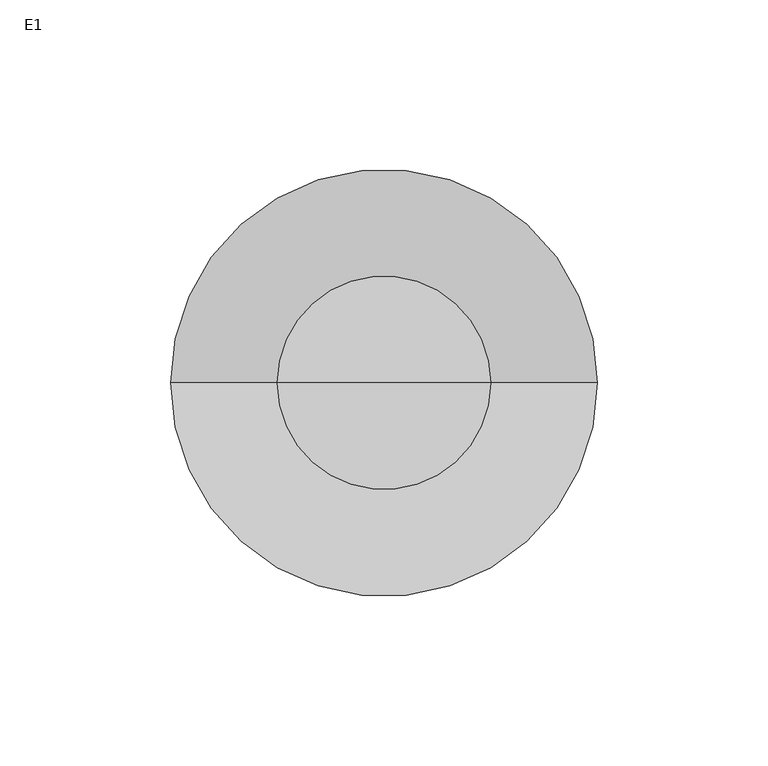
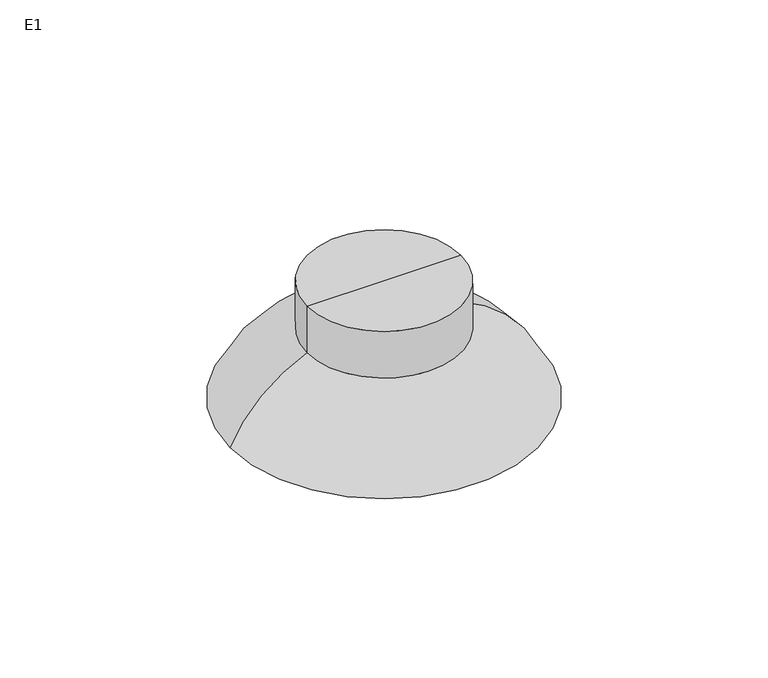
"""IFC4 building model written with IfcOpenShell, lengths in millimetres: light fixture geometry, E1."""

from ifc_helpers import new_model, si_unit, point, frame, origin, origin_with_axes, place, context, project, spatial, polyline, circle_curve, ellipse_curve, trimmed, source, transform, mapped, element, save
from ifc_brep_helpers import plane_surface, cylinder_surface, revolved_surface, advanced_brep


def e1_664522cc(model_context):
    return source(origin(), model_context, "Body", "AdvancedBrep", [
        advanced_brep(
        [(-31.25, 0.0, 50.0), (31.25, 0.0, 50.0), (0.0, 0.0, 50.0), (-31.25, 0.0, 30.0), (31.25, 0.0, 30.0), (-62.5, 0.0, 0.0), (62.5, 0.0, 0.0), (-31.25, 0.0, 0.0), (31.25, 0.0, 0.0), (-29.25, 0.0, 29.0100133), (29.25, 0.0, 29.0100133), (59.6541549, 0.0, 2.0), (-59.6541549, 0.0, 2.0), (-29.25, 0.0, 48.0), (29.25, 0.0, 48.0), (0.0, 0.0, 48.0), (-31.25, 0.0, 2.0), (31.25, 0.0, 2.0)],
        [
            (0, 1, circle_curve(frame((0.0, 0.0, 50.0), z_axis=(0.0, 0.0, 1.0), x_axis=(1.0, 0.0, 0.0)), 31.25)),
            (1, 2),
            (2, 0),
            (1, 0, circle_curve(frame((0.0, 0.0, 50.0), z_axis=(0.0, 0.0, 1.0), x_axis=(1.0, 0.0, 0.0)), 31.25)),
            (3, 4, circle_curve(frame((0.0, 0.0, 30.0), z_axis=(0.0, 0.0, 1.0), x_axis=(1.0, 0.0, 0.0)), 31.25)),
            (4, 1),
            (0, 3),
            (4, 3, circle_curve(frame((0.0, 0.0, 30.0), z_axis=(0.0, 0.0, 1.0), x_axis=(1.0, 0.0, 0.0)), 31.25)),
            (5, 6, circle_curve(origin_with_axes(), 62.5)),
            (6, 4, circle_curve(frame((8.3920768, 0.0, -25.0863784), z_axis=(0.0, -1.0, 0.0), x_axis=(-1.0, 0.0, 0.0)), 59.6405377)),
            (3, 5, circle_curve(frame((-8.3920768, 0.0, -25.0863784), z_axis=(0.0, -1.0, 0.0), x_axis=(1.0, 0.0, 0.0)), 59.6405377)),
            (6, 5, circle_curve(origin_with_axes(), 62.5)),
            (7, 8, circle_curve(origin_with_axes(), 31.25)),
            (8, 6),
            (5, 7),
            (8, 7, circle_curve(origin_with_axes(), 31.25)),
            (9, 10, circle_curve(frame((0.0, 0.0, 29.0100133), z_axis=(0.0, 0.0, 1.0), x_axis=(1.0, 0.0, 0.0)), 29.25)),
            (10, 11, circle_curve(frame((8.3920768, 0.0, -25.0863784), z_axis=(0.0, 1.0, 0.0), x_axis=(-1.0, 0.0, 0.0)), 57.9782076)),
            (11, 12, circle_curve(frame((0.0, 0.0, 2.0), z_axis=(0.0, 0.0, -1.0), x_axis=(1.0, 0.0, 0.0)), 59.6541549)),
            (12, 9, circle_curve(frame((-8.3920768, 0.0, -25.0863784), z_axis=(0.0, 1.0, 0.0), x_axis=(1.0, 0.0, 0.0)), 57.9782076)),
            (10, 9, circle_curve(frame((0.0, 0.0, 29.0100133), z_axis=(0.0, 0.0, 1.0), x_axis=(1.0, 0.0, 0.0)), 29.25)),
            (12, 11, circle_curve(frame((0.0, 0.0, 2.0), z_axis=(0.0, 0.0, -1.0), x_axis=(1.0, 0.0, 0.0)), 59.6541549)),
            (13, 14, circle_curve(frame((0.0, 0.0, 48.0), z_axis=(0.0, 0.0, 1.0), x_axis=(1.0, 0.0, 0.0)), 29.25)),
            (14, 10),
            (9, 13),
            (14, 13, circle_curve(frame((0.0, 0.0, 48.0), z_axis=(0.0, 0.0, 1.0), x_axis=(1.0, 0.0, 0.0)), 29.25)),
            (15, 14),
            (13, 15),
            (16, 17, circle_curve(frame((0.0, 0.0, 2.0), z_axis=(0.0, 0.0, 1.0), x_axis=(1.0, 0.0, 0.0)), 31.25)),
            (17, 8),
            (7, 16),
            (17, 16, circle_curve(frame((0.0, 0.0, 2.0), z_axis=(0.0, 0.0, 1.0), x_axis=(1.0, 0.0, 0.0)), 31.25)),
            (11, 17),
            (16, 12),
        ],
        [
            plane_surface(frame((0.0, 0.0, 50.0), z_axis=(0.0, 0.0, 1.0), x_axis=(1.0, 0.0, 0.0))),
            cylinder_surface(frame((0.0, 0.0, 105.0), z_axis=(0.0, 0.0, -1.0), x_axis=(1.0, 0.0, 0.0)), 31.25),
            revolved_surface(trimmed(ellipse_curve(frame((8.3920768, 0.0, -25.0863784), z_axis=(0.0, 1.0, 0.0), x_axis=(-1.0, 0.0, 0.0)), 59.6405377, 59.6405377), [point((31.25, 0.0, 30.0))], [point((62.5, 0.0, 0.0))], True, "CARTESIAN"), (0.0, 0.0, 105.0), (0.0, 0.0, -1.0)),
            plane_surface(frame((0.0, 0.0, 0.0), z_axis=(0.0, 0.0, -1.0), x_axis=(1.0, 0.0, 0.0))),
            revolved_surface(trimmed(ellipse_curve(frame((8.3920768, 0.0, -25.0863784), z_axis=(0.0, -1.0, 0.0), x_axis=(-1.0, 0.0, 0.0)), 57.9782076, 57.9782076), [point((59.6541549, 0.0, 2.0))], [point((29.25, 0.0, 29.0100133))], True, "CARTESIAN"), (0.0, 0.0, 105.0), (0.0, 0.0, -1.0)),
            revolved_surface(polyline([(29.25, 0.0, 29.010013299999997), (29.25, 0.0, 48.0)]), (0.0, 0.0, 105.0), (0.0, 0.0, -1.0)),
            plane_surface(frame((0.0, 0.0, 48.0), z_axis=(0.0, 0.0, -1.0), x_axis=(1.0, 0.0, 0.0))),
            revolved_surface(polyline([(31.25, 0.0, 0.0), (31.25, 0.0, 2.0)]), (0.0, 0.0, 105.0), (0.0, 0.0, -1.0)),
            plane_surface(frame((0.0, 0.0, 2.0), z_axis=(0.0, 0.0, 1.0), x_axis=(1.0, 0.0, 0.0))),
        ],
        [
            (0, [[1, 2, 3]]),
            (0, [[4, -3, -2]]),
            (1, [[5, 6, -1, 7]]),
            (1, [[8, -7, -4, -6]]),
            (2, [[9, 10, -5, 11]]),
            (2, [[12, -11, -8, -10]]),
            (3, [[13, 14, -9, 15]]),
            (3, [[16, -15, -12, -14]]),
            (4, [[17, 18, 19, 20]]),
            (4, [[21, -20, 22, -18]]),
            (5, [[23, 24, -17, 25]]),
            (5, [[26, -25, -21, -24]]),
            (6, [[27, -23, 28]]),
            (6, [[-28, -26, -27]]),
            (7, [[29, 30, -13, 31]]),
            (7, [[32, -31, -16, -30]]),
            (8, [[-19, 33, -29, 34]]),
            (8, [[-22, -34, -32, -33]]),
        ],
    ),
        advanced_brep(
        [(-1.7900707, 0.0, 0.0), (1.7900707, 0.0, 0.0), (3.5501759, 0.0, 0.0), (-3.5501759, 0.0, 0.0), (0.0, 0.0, 1.5020476), (0.0, 0.0, 4.3841021)],
        [
            (0, 1, circle_curve(origin_with_axes(), 1.7900707)),
            (1, 2),
            (2, 3, circle_curve(frame((0.0, 0.0, 0.0), z_axis=(0.0, 0.0, -1.0), x_axis=(1.0, 0.0, 0.0)), 3.5501759)),
            (3, 0),
            (1, 0, circle_curve(origin_with_axes(), 1.7900707)),
            (3, 2, circle_curve(frame((0.0, 0.0, 0.0), z_axis=(0.0, 0.0, -1.0), x_axis=(1.0, 0.0, 0.0)), 3.5501759)),
            (4, 1, circle_curve(frame((-0.7220829, 0.0, -1.1761826), z_axis=(0.0, 1.0, 0.0), x_axis=(-1.0, 0.0, 0.0)), 2.7738639)),
            (0, 4, circle_curve(frame((0.7220829, 0.0, -1.1761826), z_axis=(0.0, 1.0, 0.0), x_axis=(1.0, 0.0, 0.0)), 2.7738639)),
            (2, 5, circle_curve(frame((-3.9531561, 0.0, -2.4465895), z_axis=(0.0, -1.0, 0.0), x_axis=(-1.0, 0.0, 0.0)), 7.8921348)),
            (5, 3, circle_curve(frame((3.9531561, 0.0, -2.4465895), z_axis=(0.0, -1.0, 0.0), x_axis=(1.0, 0.0, 0.0)), 7.8921348)),
        ],
        [
            plane_surface(frame((0.0, 0.0, 0.0), z_axis=(0.0, 0.0, -1.0), x_axis=(1.0, 0.0, 0.0))),
            revolved_surface(trimmed(ellipse_curve(frame((-0.7220829, 0.0, -1.1761826), z_axis=(0.0, -1.0, 0.0), x_axis=(-1.0, 0.0, 0.0)), 2.7738639, 2.7738639), [point((1.7900707, 0.0, 0.0))], [point((0.0, 0.0, 1.5020476))], True, "CARTESIAN"), (0.0, 0.0, 105.0), (0.0, 0.0, -1.0)),
            revolved_surface(trimmed(ellipse_curve(frame((-3.9531561, 0.0, -2.4465895), z_axis=(0.0, 1.0, 0.0), x_axis=(-1.0, 0.0, 0.0)), 7.8921348, 7.8921348), [point((0.0, 0.0, 4.3841021))], [point((3.5501759, 0.0, 0.0))], True, "CARTESIAN"), (0.0, 0.0, 105.0), (0.0, 0.0, -1.0)),
        ],
        [
            (0, [[1, 2, 3, 4]]),
            (0, [[5, -4, 6, -2]]),
            (1, [[7, -1, 8]]),
            (1, [[-8, -5, -7]]),
            (2, [[-3, 9, 10]]),
            (2, [[-6, -10, -9]]),
        ],
    ),
    ])


if __name__ == "__main__":
    model = new_model("IFC4")
    model_context = context("Model", 3, world=origin())
    ifc_project = project(units=[si_unit("LENGTHUNIT", "METRE", prefix="MILLI")], contexts=[model_context])
    site = spatial("IfcSite", under=ifc_project)
    building = spatial("IfcBuilding", under=site)
    placement = place(None, origin())
    e1_shape = e1_664522cc(model_context)
    element("IfcLightFixture", 1, ObjectType="E1", at=placement, inside=building, context=model_context, shape_type="MappedRepresentation", body=[
        mapped(e1_shape, transform((0.0, 0.0, 0.0), x_axis=(1.0, 0.0, 0.0), y_axis=(0.0, 1.0, 0.0), z_axis=(0.0, 0.0, 1.0))),
    ])
    save(model, "model.ifc")
